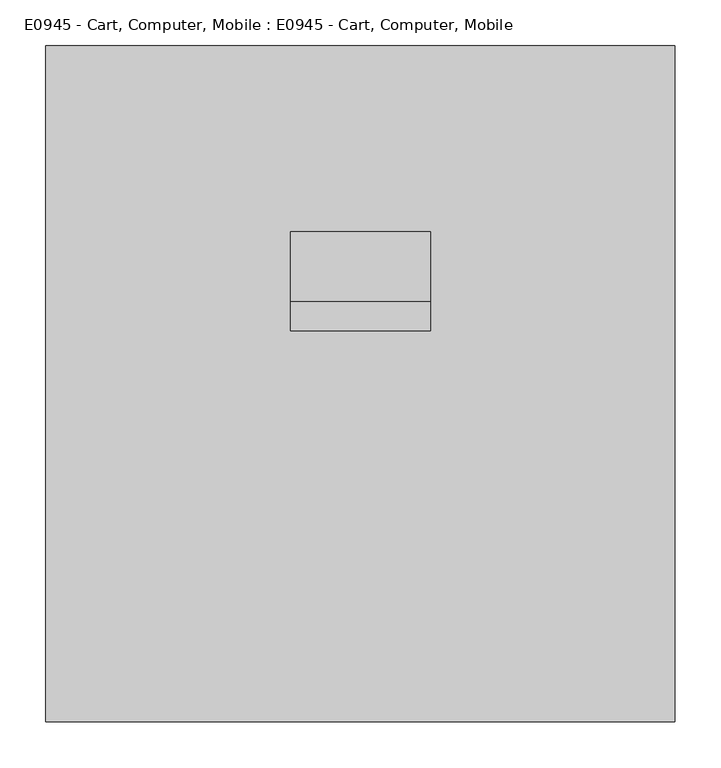
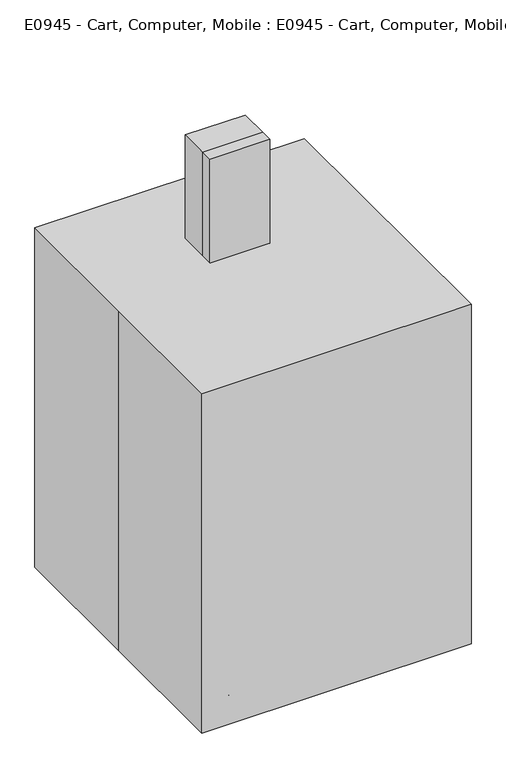
"""IFC4 building model written with IfcOpenShell, lengths in millimetres: proxy geometry, E0945 - Cart, Computer, Mobile : E0945 - Cart, Computer, Mobile."""

from ifc_helpers import new_model, si_unit, point, frame, frame_2d, origin, origin_with_axes, place, context, project, spatial, polyline, circle_curve, trimmed, segment, composite_curve, outline, extrude, faceted_brep, source, transform, mapped, element, save


def e0945_cart_computer_mobile_e0945_cart_computer_mobile_0c41a28f(model_context):
    return source(origin(), model_context, "Body", "SolidModel", [
        extrude(outline(polyline([(-196.85, 635.0), (58.0280886, 635.0), (58.0280886, 444.5), (-196.85, 609.6), (-196.85, 635.0)])), frame((57.15, 0.0, 0.0), z_axis=(1.0, 0.0, 0.0), x_axis=(0.0, 1.0, 0.0)), (0.0, 0.0, 1.0), 19.05),
        faceted_brep([(211.1375, -4.7625, 644.525), (211.1375, -4.7625, 639.7625), (211.1375, -255.5875, 639.7625), (211.1375, -255.5875, 644.525), (215.9, 0.0, 644.525), (215.9, -260.35, 644.525), (215.9, -260.35, 635.0), (215.9, 0.0, 635.0), (-211.1375, -255.5875, 639.7625), (-211.1375, -255.5875, 644.525), (-215.9, -260.35, 644.525), (-215.9, -260.35, 635.0), (-211.1375, -4.7625, 639.7625), (-211.1375, -4.7625, 644.525), (-215.9, 0.0, 644.525), (-215.9, 0.0, 635.0)], [[[0, 1, 2, 3]], [[4, 5, 6, 7]], [[3, 2, 8, 9]], [[6, 5, 10, 11]], [[9, 8, 12, 13]], [[11, 10, 14, 15]], [[1, 0, 13, 12]], [[5, 4, 14, 10], [0, 3, 9, 13]], [[4, 7, 15, 14]], [[7, 6, 11, 15]], [[2, 1, 12, 8]]]),
        extrude(outline(polyline([(-196.85, 635.0), (58.0280886, 635.0), (58.0280886, 444.5), (-196.85, 609.6), (-196.85, 635.0)])), frame((-76.2, 0.0, 0.0), z_axis=(1.0, 0.0, 0.0), x_axis=(0.0, 1.0, 0.0)), (0.0, 0.0, 1.0), 19.05),
        extrude(outline(polyline([(76.2, 89.7780886), (76.2, 58.0280886), (-76.2, 58.0280886), (-76.2, 89.7780886), (76.2, 89.7780886)])), frame((0.0, 0.0, 444.5), z_axis=(0.0, 0.0, 1.0), x_axis=(1.0, 0.0, 0.0)), (0.0, 0.0, 1.0), 749.3),
        extrude(outline(composite_curve([segment(polyline([(165.9780886, 1193.8), (165.9780886, 139.7), (62.2305834, 139.7)]), True, "CONTINUOUS"), segment(trimmed(circle_curve(frame_2d((29.5735373, 190.9359281)), 60.7585631), [point((62.2305834, 139.7))], [point((89.7780886, 182.7496596))], True, "CARTESIAN"), True, "CONTINUOUS"), segment(polyline([(89.7780886, 182.7496596), (89.7780886, 1193.8), (165.9780886, 1193.8)]), True, "CONTINUOUS")], self_intersect=False)), frame((-76.2, 0.0, 0.0), z_axis=(1.0, 0.0, 0.0), x_axis=(0.0, 1.0, 0.0)), (0.0, 0.0, 1.0), 152.4),
        extrude(outline(composite_curve([segment(trimmed(circle_curve(frame_2d((-215.9, 257.2471418)), 9.525), [point((-206.375, 257.2471418))], [point((-225.425, 257.2471418))], False, "CARTESIAN"), True, "CONTINUOUS"), segment(trimmed(circle_curve(frame_2d((-215.9, 257.2471418)), 9.525), [point((-225.425, 257.2471418))], [point((-206.375, 257.2471418))], False, "CARTESIAN"), True, "CONTINUOUS")], self_intersect=False)), frame((0.0, 0.0, 38.9774203), z_axis=(0.0, 0.0, 1.0), x_axis=(1.0, 0.0, 0.0)), (0.0, 0.0, 1.0), 49.9225797),
        extrude(outline(composite_curve([segment(trimmed(circle_curve(frame_2d((260.2876401, 38.1)), 38.1), [point((298.3876401, 38.1))], [point((222.1876401, 38.1))], False, "CARTESIAN"), True, "CONTINUOUS"), segment(trimmed(circle_curve(frame_2d((260.2876401, 38.1)), 38.1), [point((222.1876401, 38.1))], [point((298.3876401, 38.1))], False, "CARTESIAN"), True, "CONTINUOUS")], self_intersect=False)), frame((-206.375, 0.0, 0.0), z_axis=(1.0, 0.0, 0.0), x_axis=(0.0, 1.0, 0.0)), (0.0, 0.0, 1.0), 9.525),
        extrude(outline(composite_curve([segment(trimmed(circle_curve(frame_2d((260.35, 38.1)), 19.05), [point((279.4, 38.1))], [point((241.3, 38.1))], False, "CARTESIAN"), True, "CONTINUOUS"), segment(trimmed(circle_curve(frame_2d((260.35, 38.1)), 19.05), [point((241.3, 38.1))], [point((279.4, 38.1))], False, "CARTESIAN"), True, "CONTINUOUS")], self_intersect=False)), frame((-225.425, 0.0, 0.0), z_axis=(1.0, 0.0, 0.0), x_axis=(0.0, 1.0, 0.0)), (0.0, 0.0, 1.0), 19.05),
        extrude(outline(composite_curve([segment(trimmed(circle_curve(frame_2d((260.2876401, 38.1)), 38.1), [point((298.3876401, 38.1))], [point((222.1876401, 38.1))], False, "CARTESIAN"), True, "CONTINUOUS"), segment(trimmed(circle_curve(frame_2d((260.2876401, 38.1)), 38.1), [point((222.1876401, 38.1))], [point((298.3876401, 38.1))], False, "CARTESIAN"), True, "CONTINUOUS")], self_intersect=False)), frame((-234.95, 0.0, 0.0), z_axis=(1.0, 0.0, 0.0), x_axis=(0.0, 1.0, 0.0)), (0.0, 0.0, 1.0), 9.525),
        extrude(outline(composite_curve([segment(trimmed(circle_curve(frame_2d((-215.9, -257.2471418)), 9.525), [point((-206.375, -257.2471418))], [point((-225.425, -257.2471418))], False, "CARTESIAN"), True, "CONTINUOUS"), segment(trimmed(circle_curve(frame_2d((-215.9, -257.2471418)), 9.525), [point((-225.425, -257.2471418))], [point((-206.375, -257.2471418))], False, "CARTESIAN"), True, "CONTINUOUS")], self_intersect=False)), frame((0.0, 0.0, 38.9774203), z_axis=(0.0, 0.0, 1.0), x_axis=(1.0, 0.0, 0.0)), (0.0, 0.0, 1.0), 49.9225797),
        extrude(outline(composite_curve([segment(trimmed(circle_curve(frame_2d((-260.2876401, 38.1)), 38.1), [point((-298.3876401, 38.1))], [point((-222.1876401, 38.1))], False, "CARTESIAN"), True, "CONTINUOUS"), segment(trimmed(circle_curve(frame_2d((-260.2876401, 38.1)), 38.1), [point((-222.1876401, 38.1))], [point((-298.3876401, 38.1))], False, "CARTESIAN"), True, "CONTINUOUS")], self_intersect=False)), frame((-206.375, 0.0, 0.0), z_axis=(1.0, 0.0, 0.0), x_axis=(0.0, 1.0, 0.0)), (0.0, 0.0, 1.0), 9.525),
        extrude(outline(composite_curve([segment(trimmed(circle_curve(frame_2d((-260.35, 38.1)), 19.05), [point((-279.4, 38.1))], [point((-241.3, 38.1))], False, "CARTESIAN"), True, "CONTINUOUS"), segment(trimmed(circle_curve(frame_2d((-260.35, 38.1)), 19.05), [point((-241.3, 38.1))], [point((-279.4, 38.1))], False, "CARTESIAN"), True, "CONTINUOUS")], self_intersect=False)), frame((-225.425, 0.0, 0.0), z_axis=(1.0, 0.0, 0.0), x_axis=(0.0, 1.0, 0.0)), (0.0, 0.0, 1.0), 19.05),
        extrude(outline(composite_curve([segment(trimmed(circle_curve(frame_2d((-260.2876401, 38.1)), 38.1), [point((-298.3876401, 38.1))], [point((-222.1876401, 38.1))], False, "CARTESIAN"), True, "CONTINUOUS"), segment(trimmed(circle_curve(frame_2d((-260.2876401, 38.1)), 38.1), [point((-222.1876401, 38.1))], [point((-298.3876401, 38.1))], False, "CARTESIAN"), True, "CONTINUOUS")], self_intersect=False)), frame((-234.95, 0.0, 0.0), z_axis=(1.0, 0.0, 0.0), x_axis=(0.0, 1.0, 0.0)), (0.0, 0.0, 1.0), 9.525),
        extrude(outline(composite_curve([segment(trimmed(circle_curve(frame_2d((215.9, 257.2471418)), 9.525), [point((206.375, 257.2471418))], [point((225.425, 257.2471418))], False, "CARTESIAN"), True, "CONTINUOUS"), segment(trimmed(circle_curve(frame_2d((215.9, 257.2471418)), 9.525), [point((225.425, 257.2471418))], [point((206.375, 257.2471418))], False, "CARTESIAN"), True, "CONTINUOUS")], self_intersect=False)), frame((0.0, 0.0, 38.9774203), z_axis=(0.0, 0.0, 1.0), x_axis=(1.0, 0.0, 0.0)), (0.0, 0.0, 1.0), 49.9225797),
        extrude(outline(composite_curve([segment(trimmed(circle_curve(frame_2d((260.2876401, 38.1)), 38.1), [point((298.3876401, 38.1))], [point((222.1876401, 38.1))], False, "CARTESIAN"), True, "CONTINUOUS"), segment(trimmed(circle_curve(frame_2d((260.2876401, 38.1)), 38.1), [point((222.1876401, 38.1))], [point((298.3876401, 38.1))], False, "CARTESIAN"), True, "CONTINUOUS")], self_intersect=False)), frame((196.85, 0.0, 0.0), z_axis=(1.0, 0.0, 0.0), x_axis=(0.0, 1.0, 0.0)), (0.0, 0.0, 1.0), 9.525),
        extrude(outline(composite_curve([segment(trimmed(circle_curve(frame_2d((260.35, 38.1)), 19.05), [point((279.4, 38.1))], [point((241.3, 38.1))], False, "CARTESIAN"), True, "CONTINUOUS"), segment(trimmed(circle_curve(frame_2d((260.35, 38.1)), 19.05), [point((241.3, 38.1))], [point((279.4, 38.1))], False, "CARTESIAN"), True, "CONTINUOUS")], self_intersect=False)), frame((206.375, 0.0, 0.0), z_axis=(1.0, 0.0, 0.0), x_axis=(0.0, 1.0, 0.0)), (0.0, 0.0, 1.0), 19.05),
        extrude(outline(composite_curve([segment(trimmed(circle_curve(frame_2d((260.2876401, 38.1)), 38.1), [point((298.3876401, 38.1))], [point((222.1876401, 38.1))], False, "CARTESIAN"), True, "CONTINUOUS"), segment(trimmed(circle_curve(frame_2d((260.2876401, 38.1)), 38.1), [point((222.1876401, 38.1))], [point((298.3876401, 38.1))], False, "CARTESIAN"), True, "CONTINUOUS")], self_intersect=False)), frame((225.425, 0.0, 0.0), z_axis=(1.0, 0.0, 0.0), x_axis=(0.0, 1.0, 0.0)), (0.0, 0.0, 1.0), 9.525),
        extrude(outline(composite_curve([segment(trimmed(circle_curve(frame_2d((215.9, -257.2471418)), 9.525), [point((206.375, -257.2471418))], [point((225.425, -257.2471418))], False, "CARTESIAN"), True, "CONTINUOUS"), segment(trimmed(circle_curve(frame_2d((215.9, -257.2471418)), 9.525), [point((225.425, -257.2471418))], [point((206.375, -257.2471418))], False, "CARTESIAN"), True, "CONTINUOUS")], self_intersect=False)), frame((0.0, 0.0, 38.9774203), z_axis=(0.0, 0.0, 1.0), x_axis=(1.0, 0.0, 0.0)), (0.0, 0.0, 1.0), 49.9225797),
        extrude(outline(composite_curve([segment(trimmed(circle_curve(frame_2d((-260.2876401, 38.1)), 38.1), [point((-298.3876401, 38.1))], [point((-222.1876401, 38.1))], False, "CARTESIAN"), True, "CONTINUOUS"), segment(trimmed(circle_curve(frame_2d((-260.2876401, 38.1)), 38.1), [point((-222.1876401, 38.1))], [point((-298.3876401, 38.1))], False, "CARTESIAN"), True, "CONTINUOUS")], self_intersect=False)), frame((196.85, 0.0, 0.0), z_axis=(1.0, 0.0, 0.0), x_axis=(0.0, 1.0, 0.0)), (0.0, 0.0, 1.0), 9.525),
        extrude(outline(composite_curve([segment(trimmed(circle_curve(frame_2d((-260.35, 38.1)), 19.05), [point((-279.4, 38.1))], [point((-241.3, 38.1))], False, "CARTESIAN"), True, "CONTINUOUS"), segment(trimmed(circle_curve(frame_2d((-260.35, 38.1)), 19.05), [point((-241.3, 38.1))], [point((-279.4, 38.1))], False, "CARTESIAN"), True, "CONTINUOUS")], self_intersect=False)), frame((206.375, 0.0, 0.0), z_axis=(1.0, 0.0, 0.0), x_axis=(0.0, 1.0, 0.0)), (0.0, 0.0, 1.0), 19.05),
        extrude(outline(composite_curve([segment(trimmed(circle_curve(frame_2d((-260.2876401, 38.1)), 38.1), [point((-298.3876401, 38.1))], [point((-222.1876401, 38.1))], False, "CARTESIAN"), True, "CONTINUOUS"), segment(trimmed(circle_curve(frame_2d((-260.2876401, 38.1)), 38.1), [point((-222.1876401, 38.1))], [point((-298.3876401, 38.1))], False, "CARTESIAN"), True, "CONTINUOUS")], self_intersect=False)), frame((225.425, 0.0, 0.0), z_axis=(1.0, 0.0, 0.0), x_axis=(0.0, 1.0, 0.0)), (0.0, 0.0, 1.0), 9.525),
        extrude(outline(composite_curve([segment(polyline([(93.9865963, 192.9187071), (176.6628647, 292.6165602)]), True, "CONTINUOUS"), segment(trimmed(circle_curve(frame_2d((215.7665691, 260.189098)), 50.8), [point((176.6628647, 292.6165602))], [point((254.8702735, 227.7616359))], False, "CARTESIAN"), True, "CONTINUOUS"), segment(polyline([(254.8702735, 227.7616359), (152.4, 104.1945414), (152.4, -104.1945414), (254.8702735, -227.7616359)]), True, "CONTINUOUS"), segment(trimmed(circle_curve(frame_2d((215.7665691, -260.189098)), 50.8), [point((254.8702735, -227.7616359))], [point((176.6628647, -292.6165602))], False, "CARTESIAN"), True, "CONTINUOUS"), segment(polyline([(176.6628647, -292.6165602), (53.1141065, -143.6312929), (-53.1141065, -143.6312929), (-176.6628647, -292.6165602)]), True, "CONTINUOUS"), segment(trimmed(circle_curve(frame_2d((-215.7665691, -260.189098)), 50.8), [point((-176.6628647, -292.6165602))], [point((-254.8702735, -227.7616359))], False, "CARTESIAN"), True, "CONTINUOUS"), segment(polyline([(-254.8702735, -227.7616359), (-152.4, -104.1945414), (-152.4, 104.1945414), (-254.8702735, 227.7616359)]), True, "CONTINUOUS"), segment(trimmed(circle_curve(frame_2d((-215.7665691, 260.189098)), 50.8), [point((-254.8702735, 227.7616359))], [point((-176.6628647, 292.6165602))], False, "CARTESIAN"), True, "CONTINUOUS"), segment(polyline([(-176.6628647, 292.6165602), (-93.9865963, 192.9187071), (93.9865963, 192.9187071)]), True, "CONTINUOUS")], self_intersect=False)), frame((0.0, 0.0, 88.9), z_axis=(0.0, 0.0, 1.0), x_axis=(1.0, 0.0, 0.0)), (0.0, 0.0, 1.0), 50.8),
        extrude(outline(polyline([(-342.9, 368.3), (342.9, 368.3), (342.9, -368.3), (-342.9, -368.3), (-342.9, 0.0), (-342.9, 368.3)])), origin_with_axes(), (0.0, 0.0, 1.0), 914.4),
    ])


if __name__ == "__main__":
    model = new_model("IFC4")
    model_context = context("Model", 3, world=origin())
    ifc_project = project(units=[si_unit("LENGTHUNIT", "METRE", prefix="MILLI")], contexts=[model_context])
    site = spatial("IfcSite", under=ifc_project)
    building = spatial("IfcBuilding", under=site)
    placement = place(None, origin())
    e0945_cart_computer_mobile_e0945_cart_computer_mobile_shape = e0945_cart_computer_mobile_e0945_cart_computer_mobile_0c41a28f(model_context)
    element("IfcBuildingElementProxy", 1, Name="E0945 - Cart, Computer, Mobile : E0945 - Cart, Computer, Mobile", ObjectType="E0945 - Cart, Computer, Mobile : E0945 - Cart, Computer, Mobile", at=placement, inside=building, context=model_context, shape_type="MappedRepresentation", body=[
        mapped(e0945_cart_computer_mobile_e0945_cart_computer_mobile_shape, transform((0.0, 0.0, 0.0), x_axis=(1.0, 0.0, 0.0), y_axis=(0.0, 1.0, 0.0), z_axis=(0.0, 0.0, 1.0))),
    ])
    save(model, "model.ifc")
